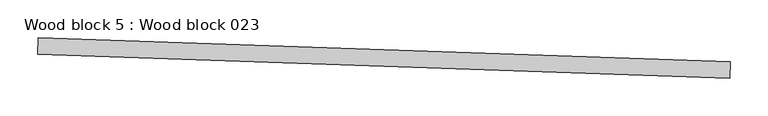
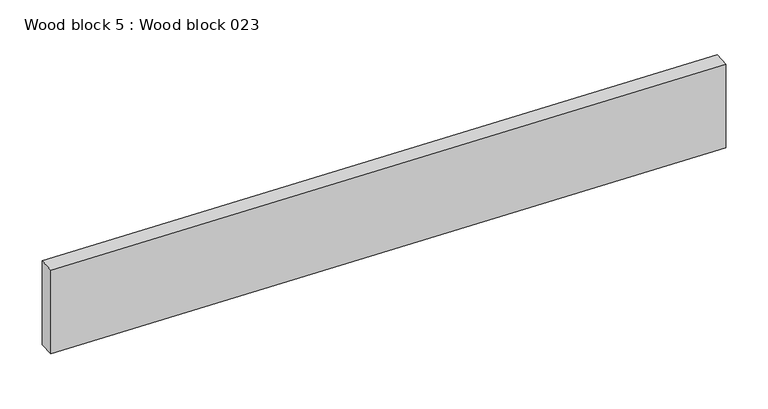
"""IFC4 building model written with IfcOpenShell, lengths in millimetres: proxy geometry, Wood block 5 : Wood block 023."""

from ifc_helpers import new_model, si_unit, frame, origin, place, context, project, spatial, polyline, outline, extrude, source, transform, mapped, element, save


def wood_block_5_wood_block_023_2ee9cf6d(model_context):
    return source(origin(), model_context, "Body", "SweptSolid", [
        extrude(outline(polyline([(33429.6940955, -15761.1090469), (33430.4426603, -15739.235133), (34344.3076887, -15770.5092423), (34343.5591239, -15792.3831562), (33429.6940955, -15761.1090469)])), frame((0.0, 0.0, 74.5560842), z_axis=(0.0, 0.0, 1.0), x_axis=(1.0, 0.0, 0.0)), (0.0, 0.0, 1.0), 122.2575118),
    ])


if __name__ == "__main__":
    model = new_model("IFC4")
    model_context = context("Model", 3, world=origin())
    ifc_project = project(units=[si_unit("LENGTHUNIT", "METRE", prefix="MILLI")], contexts=[model_context])
    site = spatial("IfcSite", under=ifc_project)
    building = spatial("IfcBuilding", under=site)
    placement = place(None, origin())
    wood_block_5_wood_block_023_shape = wood_block_5_wood_block_023_2ee9cf6d(model_context)
    element("IfcBuildingElementProxy", 1, Name="Wood block 5 : Wood block 023", ObjectType="Wood block 5 : Wood block 023", at=placement, inside=building, context=model_context, shape_type="MappedRepresentation", body=[
        mapped(wood_block_5_wood_block_023_shape, transform((0.0, 0.0, 0.0), x_axis=(1.0, 0.0, 0.0), y_axis=(0.0, 1.0, 0.0), z_axis=(0.0, 0.0, 1.0))),
    ])
    save(model, "model.ifc")
